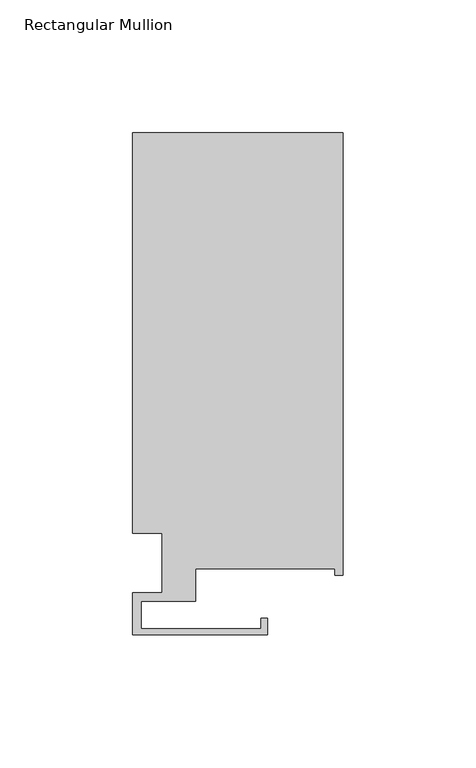
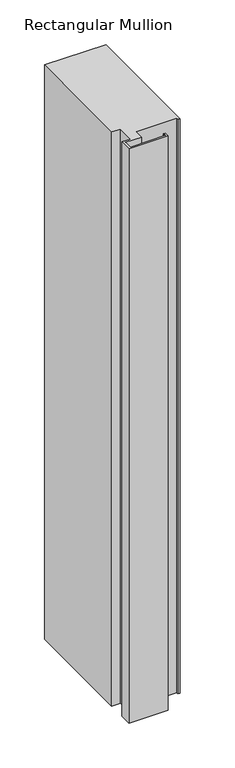
"""IFC4 building model written with IfcOpenShell, lengths in millimetres: member geometry, Rectangular Mullion."""

from ifc_helpers import new_model, si_unit, frame, origin, place, context, project, spatial, polyline, outline, extrude, source, transform, mapped, element, save


def rectangular_mullion_2e87863b(model_context):
    return source(origin(), model_context, "Body", "SweptSolid", [
        extrude(outline(polyline([(-68.2625, -38.0563438), (-68.2625, -15.5773438), (-79.375, -15.5773438), (-79.375, 135.2351562), (0.0, 135.2351562), (0.0, -31.4523438), (-3.175, -31.4523438), (-3.175, -29.0647438), (-55.5498, -29.0647438), (-55.5498, -41.2313438), (-76.2, -41.2313438), (-76.2, -51.5691438), (-30.9372, -51.5691438), (-30.9372, -47.5813438), (-28.575, -47.5813438), (-28.575, -53.9313438), (-79.375, -53.9313438), (-79.375, -38.0563438), (-68.2625, -38.0563438)])), frame((0.0, 0.0, -785.2948542), z_axis=(0.0, 0.0, 1.0), x_axis=(1.0, 0.0, 0.0)), (0.0, 0.0, 1.0), 785.2948542),
    ])


if __name__ == "__main__":
    model = new_model("IFC4")
    model_context = context("Model", 3, world=origin())
    ifc_project = project(units=[si_unit("LENGTHUNIT", "METRE", prefix="MILLI")], contexts=[model_context])
    site = spatial("IfcSite", under=ifc_project)
    building = spatial("IfcBuilding", under=site)
    placement = place(None, origin())
    rectangular_mullion_shape = rectangular_mullion_2e87863b(model_context)
    element("IfcMember", 1, ObjectType="Rectangular Mullion", at=placement, inside=building, context=model_context, shape_type="MappedRepresentation", body=[
        mapped(rectangular_mullion_shape, transform((0.0, 0.0, 0.0), x_axis=(1.0, 0.0, 0.0), y_axis=(0.0, 1.0, 0.0), z_axis=(0.0, 0.0, 1.0))),
    ])
    save(model, "model.ifc")
